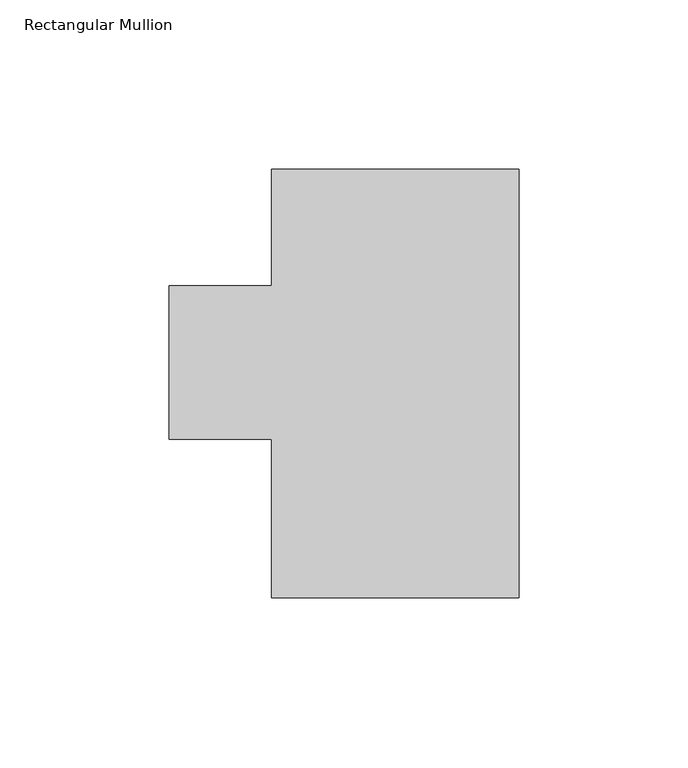
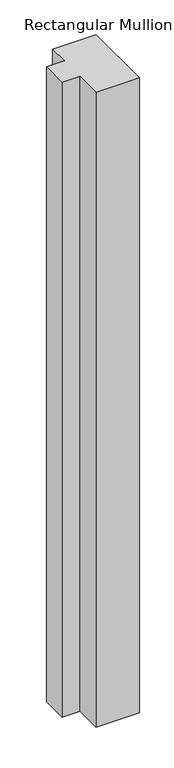
"""IFC4 building model written with IfcOpenShell, lengths in millimetres: member geometry, Rectangular Mullion."""

from ifc_helpers import new_model, si_unit, frame, origin, place, context, project, spatial, polyline, outline, extrude, source, transform, mapped, element, save


def rectangular_mullion_cd1615e5(model_context):
    return source(origin(), model_context, "Body", "SweptSolid", [
        extrude(outline(polyline([(-73.025, 126.46025), (0.0, 126.46025), (0.0, -0.03175), (-73.025, -0.03175), (-73.025, 46.83125), (-103.2002, 46.83125), (-103.2002, 92.09405), (-73.025, 92.09405), (-73.025, 126.46025)])), frame((0.0, 0.0, -1130.3), z_axis=(0.0, 0.0, 1.0), x_axis=(1.0, 0.0, 0.0)), (0.0, 0.0, 1.0), 1130.3),
    ])


if __name__ == "__main__":
    model = new_model("IFC4")
    model_context = context("Model", 3, world=origin())
    ifc_project = project(units=[si_unit("LENGTHUNIT", "METRE", prefix="MILLI")], contexts=[model_context])
    site = spatial("IfcSite", under=ifc_project)
    building = spatial("IfcBuilding", under=site)
    placement = place(None, origin())
    rectangular_mullion_shape = rectangular_mullion_cd1615e5(model_context)
    element("IfcMember", 1, ObjectType="Rectangular Mullion", at=placement, inside=building, context=model_context, shape_type="MappedRepresentation", body=[
        mapped(rectangular_mullion_shape, transform((0.0, 0.0, 0.0), x_axis=(1.0, 0.0, 0.0), y_axis=(0.0, 1.0, 0.0), z_axis=(0.0, 0.0, 1.0))),
    ])
    save(model, "model.ifc")
